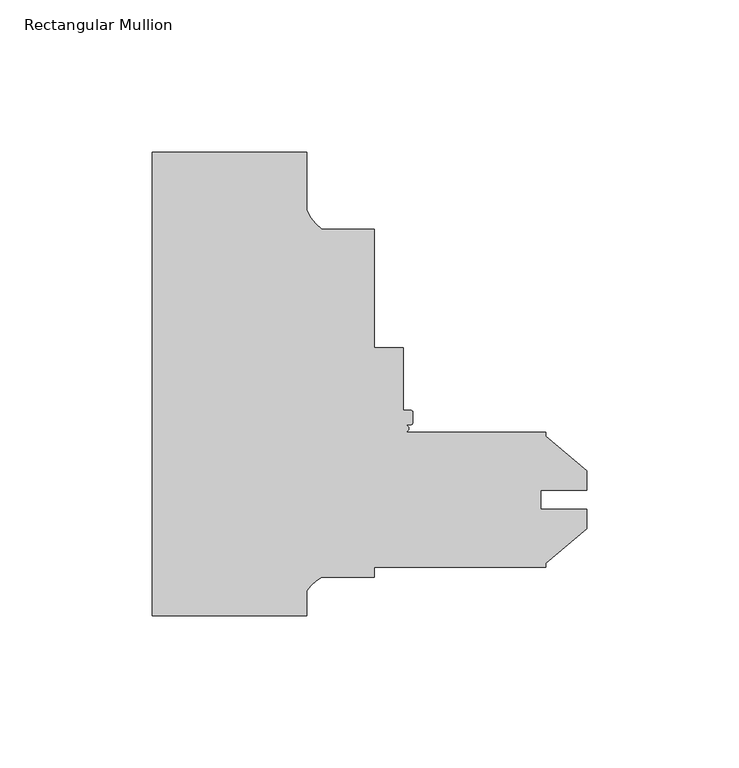
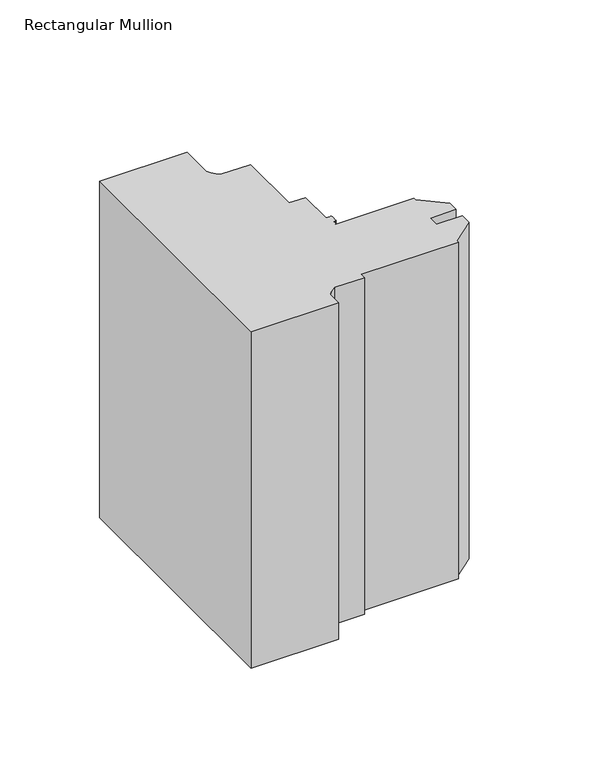
"""IFC4 building model written with IfcOpenShell, lengths in millimetres: member geometry, Rectangular Mullion."""

from ifc_helpers import new_model, si_unit, frame, origin, place, context, project, spatial, polyline, circle_curve, source, transform, mapped, element, save
from ifc_brep_helpers import plane_surface, cylinder_surface, revolved_surface, advanced_brep


def rectangular_mullion_250c6810(model_context):
    return source(origin(), model_context, "Body", "AdvancedBrep", [
        advanced_brep(
        [(-92.0432398, 0.0, 0.0), (-92.0432398, 8.1515407, 0.0), (-87.0709047, 12.7, 0.0), (-69.81825, 12.7, 0.0), (-69.81825, 15.875, 0.0), (-13.462, 15.875, 0.0), (-13.462, 17.2691667, 0.0), (0.0, 28.565126, 0.0), (0.0, 34.9354045, 0.0), (-15.0368, 34.9354045, 0.0), (-15.0368, 41.2595221, 0.0), (0.0, 41.2595221, 0.0), (0.0, 47.629794, 0.0), (-13.462, 58.9257533, 0.0), (-13.462, 60.325, 0.0), (-59.7015333, 60.325, 0.0), (-59.7015333, 62.768405, 0.0), (-57.8033946, 62.768405, 0.0), (-57.1157927, 63.549455, 0.0), (-57.1157927, 66.749855, 0.0), (-57.9031927, 67.537255, 0.0), (-60.2907927, 67.537255, 0.0), (-60.2907927, 88.162055, 0.0), (-69.8157927, 88.162055, 0.0), (-69.81825, 127.0, 0.0), (-87.1497649, 127.0, 0.0), (-92.0432398, 133.2282223, 0.0), (-92.0432398, 152.4, 0.0), (-142.8432398, 152.4, 0.0), (-142.8432398, 0.0, 0.0), (-92.0432398, 0.0, -206.4067602), (-142.8432398, 0.0, -206.4067602), (-142.8432398, 152.4, -206.4067602), (-92.0432398, 152.4, -206.4067602), (-92.0432398, 133.2282223, -206.4067602), (-87.1497649, 127.0, -206.4067602), (-69.81825, 127.0, -206.4067602), (-69.8157927, 88.162055, -206.4067602), (-60.2907927, 88.162055, -206.4067602), (-60.2907927, 67.537255, -206.4067602), (-57.9031927, 67.537255, -206.4067602), (-57.1157927, 66.749855, -206.4067602), (-57.1157927, 63.549455, -206.4067602), (-57.8033946, 62.768405, -206.4067602), (-59.7015333, 62.768405, -206.4067602), (-59.7015333, 60.380805, -206.4067602), (-13.462, 60.325, -206.4067602), (-13.462, 58.9257533, -206.4067602), (0.0, 47.629794, -206.4067602), (0.0, 41.2595221, -206.4067602), (-15.0368, 41.2595221, -206.4067602), (-15.0368, 34.9354045, -206.4067602), (0.0, 34.9354045, -206.4067602), (0.0, 28.565126, -206.4067602), (-13.462, 17.2691667, -206.4067602), (-13.462, 15.875, -206.4067602), (-69.81825, 15.875, -206.4067602), (-69.81825, 12.7, -206.4067602), (-87.0709047, 12.7, -206.4067602), (-92.0432398, 8.1515407, -206.4067602)],
        [
            (0, 1),
            (1, 2, circle_curve(frame((-80.1338035, 0.1243368, 0.0), z_axis=(0.0, 0.0, -1.0), x_axis=(1.0, 0.0, 0.0)), 14.3621265)),
            (2, 3),
            (3, 4),
            (4, 5),
            (5, 6),
            (6, 7),
            (7, 8),
            (8, 9),
            (9, 10),
            (10, 11),
            (11, 12),
            (12, 13),
            (13, 14),
            (14, 15),
            (15, 16, circle_curve(frame((-59.7015333, 61.574605, 0.0), z_axis=(0.0, 0.0, 1.0), x_axis=(1.0, 0.0, 0.0)), 1.1938)),
            (16, 17),
            (17, 18, circle_curve(frame((-57.9031927, 63.549455, 0.0), z_axis=(0.0, 0.0, 1.0), x_axis=(1.0, 0.0, 0.0)), 0.7874)),
            (18, 19),
            (19, 20, circle_curve(frame((-57.9031927, 66.749855, 0.0), z_axis=(0.0, 0.0, 1.0), x_axis=(1.0, 0.0, 0.0)), 0.7874)),
            (20, 21),
            (21, 22),
            (22, 23),
            (23, 24),
            (24, 25),
            (25, 26, circle_curve(frame((-77.9287876, 139.281361, 0.0), z_axis=(0.0, 0.0, -1.0), x_axis=(1.0, 0.0, 0.0)), 15.3576772)),
            (26, 27),
            (27, 28),
            (28, 29),
            (29, 0),
            (30, 31),
            (31, 32),
            (32, 33),
            (33, 34),
            (34, 35, circle_curve(frame((-77.9287876, 139.281361, -206.4067602), z_axis=(0.0, 0.0, 1.0), x_axis=(1.0, 0.0, 0.0)), 15.3576772)),
            (35, 36),
            (36, 37),
            (37, 38),
            (38, 39),
            (39, 40),
            (40, 41, circle_curve(frame((-57.9031927, 66.749855, -206.4067602), z_axis=(0.0, 0.0, -1.0), x_axis=(1.0, 0.0, 0.0)), 0.7874)),
            (41, 42),
            (42, 43, circle_curve(frame((-57.9031927, 63.549455, -206.4067602), z_axis=(0.0, 0.0, -1.0), x_axis=(1.0, 0.0, 0.0)), 0.7874)),
            (43, 44),
            (44, 45, circle_curve(frame((-59.7015333, 61.574605, -206.4067602), z_axis=(0.0, 0.0, -1.0), x_axis=(1.0, 0.0, 0.0)), 1.1938)),
            (45, 46),
            (46, 47),
            (47, 48),
            (48, 49),
            (49, 50),
            (50, 51),
            (51, 52),
            (52, 53),
            (53, 54),
            (54, 55),
            (55, 56),
            (56, 57),
            (57, 58),
            (58, 59, circle_curve(frame((-80.1338035, 0.1243368, -206.4067602), z_axis=(0.0, 0.0, 1.0), x_axis=(1.0, 0.0, 0.0)), 14.3621265)),
            (59, 30),
            (0, 30),
            (59, 1),
            (58, 2),
            (57, 3),
            (56, 4),
            (55, 5),
            (54, 6),
            (53, 7),
            (52, 8),
            (51, 9),
            (50, 10),
            (49, 11),
            (48, 12),
            (47, 13),
            (46, 14),
            (45, 15),
            (44, 16),
            (43, 17),
            (42, 18),
            (41, 19),
            (40, 20),
            (39, 21),
            (38, 22),
            (37, 23),
            (36, 24),
            (35, 25),
            (34, 26),
            (33, 27),
            (32, 28),
            (31, 29),
        ],
        [
            plane_surface(frame((0.0, -208.8778379, 0.0), z_axis=(0.0, 0.0, 1.0), x_axis=(-1.0, 0.0, 0.0))),
            plane_surface(frame((0.0, -208.8778379, -206.4067602), z_axis=(0.0, 0.0, -1.0), x_axis=(-1.0, 0.0, 0.0))),
            plane_surface(frame((-92.0432398, 0.0, 0.0), z_axis=(1.0, 0.0, 0.0), x_axis=(0.0, 0.0, -1.0))),
            revolved_surface(polyline([(-65.771677, 0.1243368, -206.4067602), (-65.771677, 0.1243368, 0.0)]), (-80.1338035, 0.1243368, 0.0), (0.0, 0.0, -1.0)),
            plane_surface(frame((-87.0709047, 12.7, 0.0), z_axis=(0.0, -1.0, 0.0), x_axis=(0.0, 0.0, -1.0))),
            plane_surface(frame((-69.81825, 12.7, 0.0), z_axis=(1.0, 0.0, 0.0), x_axis=(0.0, 0.0, -1.0))),
            plane_surface(frame((-69.81825, 15.875, 0.0), z_axis=(0.0, -1.0, 0.0), x_axis=(0.0, 0.0, -1.0))),
            plane_surface(frame((-13.462, 15.875, 0.0), z_axis=(1.0, 0.0, 0.0), x_axis=(0.0, 0.0, -1.0))),
            plane_surface(frame((-13.462, 17.2691667, 0.0), z_axis=(0.6427876096865519, -0.7660444431189675, 0.0), x_axis=(0.0, 0.0, -1.0))),
            plane_surface(frame((0.0, 28.565126, 0.0), z_axis=(1.0, 0.0, 0.0), x_axis=(0.0, 0.0, -1.0))),
            plane_surface(frame((0.0, 34.9354045, 0.0), z_axis=(0.0, 1.0, 0.0), x_axis=(0.0, 0.0, -1.0))),
            plane_surface(frame((-15.0368, 34.9354045, 0.0), z_axis=(1.0, 0.0, 0.0), x_axis=(0.0, 0.0, -1.0))),
            plane_surface(frame((-15.0368, 41.2595221, 0.0), z_axis=(0.0, -1.0, 0.0), x_axis=(0.0, 0.0, -1.0))),
            plane_surface(frame((0.0, 41.2595221, 0.0), z_axis=(1.0, 0.0, 0.0), x_axis=(0.0, 0.0, -1.0))),
            plane_surface(frame((0.0, 47.629794, 0.0), z_axis=(0.6427876096865509, 0.7660444431189684, 0.0), x_axis=(0.0, 0.0, -1.0))),
            plane_surface(frame((-13.462, 58.9257533, 0.0), z_axis=(1.0, 0.0, 0.0), x_axis=(0.0, 0.0, -1.0))),
            plane_surface(frame((-13.462, 60.325, 0.0), z_axis=(0.0, 1.0, 0.0), x_axis=(0.0, 0.0, -1.0))),
            cylinder_surface(frame((-59.7015333, 61.574605, 0.0), z_axis=(0.0, 0.0, 1.0), x_axis=(1.0, 0.0, 0.0)), 1.1938),
            plane_surface(frame((-59.7015333, 62.768405, 0.0), z_axis=(0.0, -1.0, 0.0), x_axis=(0.0, 0.0, -1.0))),
            cylinder_surface(frame((-57.9031927, 63.549455, 0.0), z_axis=(0.0, 0.0, 1.0), x_axis=(1.0, 0.0, 0.0)), 0.7874),
            plane_surface(frame((-57.1157927, 63.549455, 0.0), z_axis=(1.0, 0.0, 0.0), x_axis=(0.0, 0.0, -1.0))),
            cylinder_surface(frame((-57.9031927, 66.749855, 0.0), z_axis=(0.0, 0.0, 1.0), x_axis=(1.0, 0.0, 0.0)), 0.7874),
            plane_surface(frame((-57.9031927, 67.537255, 0.0), z_axis=(0.0, 1.0, 0.0), x_axis=(0.0, 0.0, -1.0))),
            plane_surface(frame((-60.2907927, 67.537255, 0.0), z_axis=(1.0, 0.0, 0.0), x_axis=(0.0, 0.0, -1.0))),
            plane_surface(frame((-60.2907927, 88.162055, 0.0), z_axis=(0.0, 1.0, 0.0), x_axis=(0.0, 0.0, -1.0))),
            plane_surface(frame((-69.8157927, 88.162055, 0.0), z_axis=(0.9999999979983534, 6.327158462678298e-05, 0.0), x_axis=(0.0, 0.0, -1.0))),
            plane_surface(frame((-69.81825, 127.0, 0.0), z_axis=(0.0, 1.0, 0.0), x_axis=(0.0, 0.0, -1.0))),
            revolved_surface(polyline([(-62.57111040000001, 139.281361, -206.4067602), (-62.57111040000001, 139.281361, 0.0)]), (-77.9287876, 139.281361, 0.0), (0.0, 0.0, -1.0)),
            plane_surface(frame((-92.0432398, 133.2282223, 0.0), z_axis=(1.0, 0.0, 0.0), x_axis=(0.0, 0.0, -1.0))),
            plane_surface(frame((-92.0432398, 152.4, 0.0), z_axis=(0.0, 1.0, 0.0), x_axis=(0.0, 0.0, -1.0))),
            plane_surface(frame((-142.8432398, 152.4, 0.0), z_axis=(-1.0, 0.0, 0.0), x_axis=(0.0, 0.0, -1.0))),
            plane_surface(frame((-142.8432398, 0.0, 0.0), z_axis=(0.0, -1.0, 0.0), x_axis=(0.0, 0.0, -1.0))),
        ],
        [
            (0, [[1, 2, 3, 4, 5, 6, 7, 8, 9, 10, 11, 12, 13, 14, 15, 16, 17, 18, 19, 20, 21, 22, 23, 24, 25, 26, 27, 28, 29, 30]]),
            (1, [[31, 32, 33, 34, 35, 36, 37, 38, 39, 40, 41, 42, 43, 44, 45, 46, 47, 48, 49, 50, 51, 52, 53, 54, 55, 56, 57, 58, 59, 60]]),
            (2, [[-1, 61, -60, 62]]),
            (3, [[-2, -62, -59, 63]]),
            (4, [[-3, -63, -58, 64]]),
            (5, [[-4, -64, -57, 65]]),
            (6, [[-5, -65, -56, 66]]),
            (7, [[-6, -66, -55, 67]]),
            (8, [[-7, -67, -54, 68]]),
            (9, [[-8, -68, -53, 69]]),
            (10, [[-9, -69, -52, 70]]),
            (11, [[-10, -70, -51, 71]]),
            (12, [[-11, -71, -50, 72]]),
            (13, [[-12, -72, -49, 73]]),
            (14, [[-13, -73, -48, 74]]),
            (15, [[-14, -74, -47, 75]]),
            (16, [[-15, -75, -46, 76]]),
            (17, [[-16, -76, -45, 77]]),
            (18, [[-17, -77, -44, 78]]),
            (19, [[-18, -78, -43, 79]]),
            (20, [[-19, -79, -42, 80]]),
            (21, [[-20, -80, -41, 81]]),
            (22, [[-21, -81, -40, 82]]),
            (23, [[-22, -82, -39, 83]]),
            (24, [[-23, -83, -38, 84]]),
            (25, [[-24, -84, -37, 85]]),
            (26, [[-25, -85, -36, 86]]),
            (27, [[-26, -86, -35, 87]]),
            (28, [[-27, -87, -34, 88]]),
            (29, [[-28, -88, -33, 89]]),
            (30, [[-29, -89, -32, 90]]),
            (31, [[-30, -90, -31, -61]]),
        ],
    ),
    ])


if __name__ == "__main__":
    model = new_model("IFC4")
    model_context = context("Model", 3, world=origin())
    ifc_project = project(units=[si_unit("LENGTHUNIT", "METRE", prefix="MILLI")], contexts=[model_context])
    site = spatial("IfcSite", under=ifc_project)
    building = spatial("IfcBuilding", under=site)
    placement = place(None, origin())
    rectangular_mullion_shape = rectangular_mullion_250c6810(model_context)
    element("IfcMember", 1, ObjectType="Rectangular Mullion", at=placement, inside=building, context=model_context, shape_type="MappedRepresentation", body=[
        mapped(rectangular_mullion_shape, transform((0.0, 0.0, 0.0), x_axis=(1.0, 0.0, 0.0), y_axis=(0.0, 1.0, 0.0), z_axis=(0.0, 0.0, 1.0))),
    ])
    save(model, "model.ifc")
